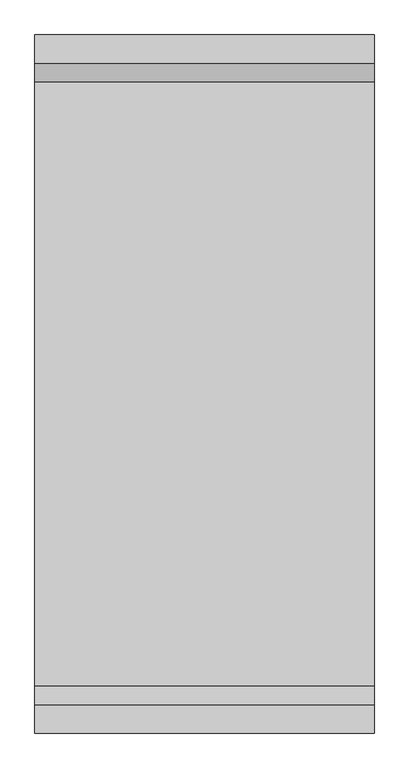
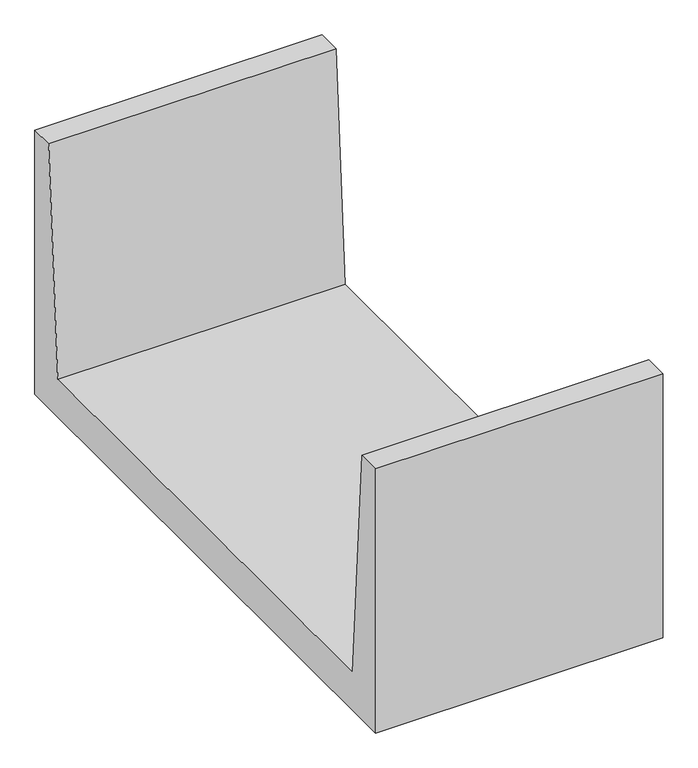
"""IFC4 building model written with IfcOpenShell, lengths in millimetres: proxy geometry."""

from ifc_helpers import new_model, si_unit, frame, origin, place, context, project, spatial, polyline, outline, extrude, source, transform, mapped, element, save


def generic_models_86ef6d46(model_context):
    return source(origin(), model_context, "Body", "SweptSolid", [
        extrude(outline(polyline([(680.0, 700.0), (740.0, 700.0), (740.0, 0.0), (-740.0, 0.0), (-740.0, 700.0), (-680.0, 700.0), (-640.0, 100.0), (640.0, 100.0), (680.0, 700.0)])), frame((-360.0, 0.0, 0.0), z_axis=(1.0, 0.0, 0.0), x_axis=(0.0, 1.0, 0.0)), (0.0, 0.0, 1.0), 720.0),
    ])


if __name__ == "__main__":
    model = new_model("IFC4")
    model_context = context("Model", 3, world=origin())
    ifc_project = project(units=[si_unit("LENGTHUNIT", "METRE", prefix="MILLI")], contexts=[model_context])
    site = spatial("IfcSite", under=ifc_project)
    building = spatial("IfcBuilding", under=site)
    placement = place(None, origin())
    generic_models_shape = generic_models_86ef6d46(model_context)
    element("IfcBuildingElementProxy", 1, Name="Generic Models", at=placement, inside=building, context=model_context, shape_type="MappedRepresentation", body=[
        mapped(generic_models_shape, transform((0.0, 0.0, 0.0), x_axis=(1.0, 0.0, 0.0), y_axis=(0.0, 1.0, 0.0), z_axis=(0.0, 0.0, 1.0))),
    ])
    save(model, "model.ifc")
